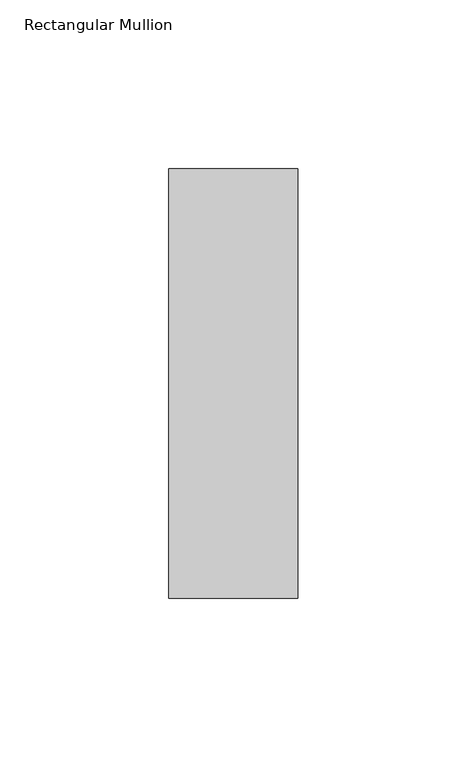
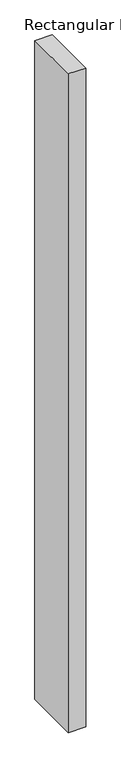
"""IFC4 building model written with IfcOpenShell, lengths in millimetres: member geometry, Rectangular Mullion."""

from ifc_helpers import new_model, si_unit, frame, origin, place, context, project, spatial, polyline, outline, extrude, source, transform, mapped, element, save


def rectangular_mullion_366c38eb(model_context):
    return source(origin(), model_context, "Body", "SweptSolid", [
        extrude(outline(polyline([(0.0, -63.5), (-38.0864723, -63.5), (-38.0864723, 63.5), (0.0, 63.5), (0.0, -63.5)])), frame((0.0, 0.0, -1529.5555443), z_axis=(0.0, 0.0, 1.0), x_axis=(1.0, 0.0, 0.0)), (0.0, 0.0, 1.0), 1529.5555443),
    ])


if __name__ == "__main__":
    model = new_model("IFC4")
    model_context = context("Model", 3, world=origin())
    ifc_project = project(units=[si_unit("LENGTHUNIT", "METRE", prefix="MILLI")], contexts=[model_context])
    site = spatial("IfcSite", under=ifc_project)
    building = spatial("IfcBuilding", under=site)
    placement = place(None, origin())
    rectangular_mullion_shape = rectangular_mullion_366c38eb(model_context)
    element("IfcMember", 1, ObjectType="Rectangular Mullion", at=placement, inside=building, context=model_context, shape_type="MappedRepresentation", body=[
        mapped(rectangular_mullion_shape, transform((0.0, 0.0, 0.0), x_axis=(1.0, 0.0, 0.0), y_axis=(0.0, 1.0, 0.0), z_axis=(0.0, 0.0, 1.0))),
    ])
    save(model, "model.ifc")
